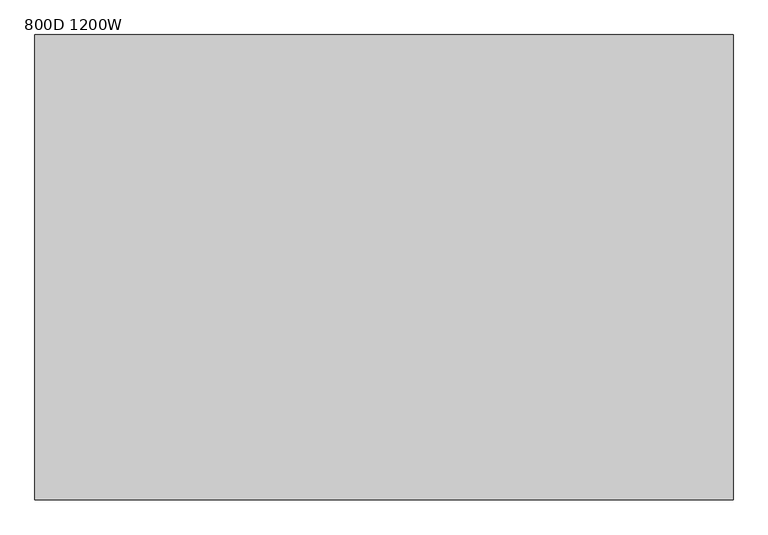
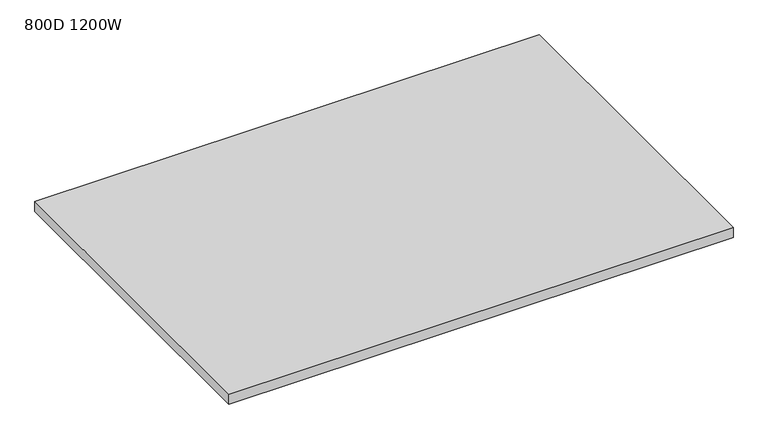
"""IFC4 building model written with IfcOpenShell, lengths in millimetres: furniture geometry, 800D 1200W."""

import ifcopenshell
import ifcopenshell.guid

model = None  # the IFC model being written
_history = None  # IfcOwnerHistory: only IFC2X3 demands one
_inside = {}  # id of a spatial element -> (the spatial element, [elements in it])
_under = {}  # id of a project, library or spatial element -> (it, [spatial elements below it])
_declared = {}  # id of a project -> (the project, [libraries it declares])
_typed = {}  # id of a type object -> (the type object, [elements of that type])
_made_of = {}  # id of a material, layer set ... -> (it, [elements and type objects made of it])


def new_model(schema):
    """Start an empty IFC model of exactly this schema.

    Asked for "IFC4X3", IfcOpenShell would pick the latest addendum, in which some entities
    have other attributes; the version numbers below select the first issue.
    IFC2X3 requires an IfcOwnerHistory on every rooted entity: one is made here for all.
    """
    global model, _history
    if schema == "IFC4X3":
        model = ifcopenshell.file(schema_version=(4, 3, 0, 0))
    else:
        model = ifcopenshell.file(schema=schema)
    _inside.clear()
    _under.clear()
    _declared.clear()
    _typed.clear()
    _made_of.clear()
    _history = None
    if model.schema == "IFC2X3":
        org = make("IfcOrganization", Name="unknown")
        user = make(
            "IfcPersonAndOrganization",
            ThePerson=make("IfcPerson", FamilyName="unknown"),
            TheOrganization=org,
        )
        app = make(
            "IfcApplication",
            ApplicationDeveloper=org,
            Version="unknown",
            ApplicationFullName="unknown",
            ApplicationIdentifier="unknown",
        )
        _history = make(
            "IfcOwnerHistory",
            OwningUser=user,
            OwningApplication=app,
            ChangeAction="ADDED",
            CreationDate=0,
        )
    return model


def make(cls, **values):
    """One entity of the class cls with the attributes given. An attribute that is None is left unset."""
    return model.create_entity(
        cls, **{name: value for name, value in values.items() if value is not None}
    )


def rooted(cls, **values):
    """An entity with a GlobalId (a new one), such as an element, a storey or a relation."""
    return make(cls, GlobalId=ifcopenshell.guid.new(), OwnerHistory=_history, **values)


def si_unit(unit_type, name, prefix=None):
    """IfcSIUnit, for example si_unit("LENGTHUNIT", "METRE", prefix="MILLI")."""
    return make("IfcSIUnit", UnitType=unit_type, Prefix=prefix, Name=name)


def assignment(units):
    """IfcUnitAssignment: the units of a project."""
    return None if units is None else make("IfcUnitAssignment", Units=units)


def point(xyz):
    """IfcCartesianPoint."""
    return None if xyz is None else make("IfcCartesianPoint", Coordinates=xyz)


def direction(xyz):
    """IfcDirection."""
    return None if xyz is None else make("IfcDirection", DirectionRatios=xyz)


def frame(location, z_axis=None, x_axis=None):
    """IfcAxis2Placement3D, a coordinate frame: its origin and axes. An axis left out is left unset."""
    return make(
        "IfcAxis2Placement3D",
        Location=point(location),
        Axis=direction(z_axis),
        RefDirection=direction(x_axis),
    )


def origin():
    """The frame at (0, 0, 0) with its axes left unset."""
    return frame((0.0, 0.0, 0.0))


def place(relative_to, where):
    """IfcLocalPlacement: puts the frame where relative to a parent placement (None: the world)."""
    return make(
        "IfcLocalPlacement", PlacementRelTo=relative_to, RelativePlacement=where
    )


def context(
    kind, dimensions, precision=None, world=None, true_north=None, identifier=None
):
    """IfcGeometricRepresentationContext, for example the 3D "Model" context."""
    return make(
        "IfcGeometricRepresentationContext",
        ContextIdentifier=identifier,
        ContextType=kind,
        CoordinateSpaceDimension=dimensions,
        Precision=precision,
        WorldCoordinateSystem=world,
        TrueNorth=true_north,
    )


def project(units=None, contexts=None):
    """IfcProject with its units and contexts."""
    return rooted(
        "IfcProject",
        Name="project",
        RepresentationContexts=contexts,
        UnitsInContext=assignment(units),
    )


def spatial(cls, under=None, at=None, **own):
    """A site, building, storey or space (cls), placed at a placement, below another one or the project."""
    s = rooted(cls, ObjectPlacement=at, **own)
    if under is not None:
        _under.setdefault(under.id(), (under, []))[1].append(s)
    return s


def polyline(points):
    """IfcPolyline through the points."""
    return make("IfcPolyline", Points=[point(p) for p in points])


def outline(outer, holes=None, kind="AREA"):
    """IfcArbitraryClosedProfileDef: a profile drawn as a closed curve; with holes, ...WithVoids."""
    if holes is None:
        return make("IfcArbitraryClosedProfileDef", ProfileType=kind, OuterCurve=outer)
    return make(
        "IfcArbitraryProfileDefWithVoids",
        ProfileType=kind,
        OuterCurve=outer,
        InnerCurves=holes,
    )


def extrude(swept, where, along, depth):
    """IfcExtrudedAreaSolid: the profile swept, set in the frame where, extruded along a direction by depth."""
    return make(
        "IfcExtrudedAreaSolid",
        SweptArea=swept,
        Position=where,
        ExtrudedDirection=direction(along),
        Depth=depth,
    )


def shape(context_of_items, identifier, shape_type, items):
    """IfcShapeRepresentation: the items that make up one representation, for example the "Body"."""
    return make(
        "IfcShapeRepresentation",
        ContextOfItems=context_of_items,
        RepresentationIdentifier=identifier,
        RepresentationType=shape_type,
        Items=items,
    )


def source(mapping_origin, context_of_items, identifier, shape_type, items):
    """IfcRepresentationMap: a shape defined once, which mapped items show again and again."""
    return make(
        "IfcRepresentationMap",
        MappingOrigin=mapping_origin,
        MappedRepresentation=shape(context_of_items, identifier, shape_type, items),
    )


def transform(
    local_origin,
    x_axis=None,
    y_axis=None,
    z_axis=None,
    scale=None,
    scale2=None,
    scale3=None,
    uniform=True,
):
    """IfcCartesianTransformationOperator3D, or its non-uniform kind. x_axis, y_axis, z_axis: its Axis1, 2, 3."""
    if uniform:
        return make(
            "IfcCartesianTransformationOperator3D",
            Axis1=direction(x_axis),
            Axis2=direction(y_axis),
            LocalOrigin=point(local_origin),
            Scale=scale,
            Axis3=direction(z_axis),
        )
    return make(
        "IfcCartesianTransformationOperator3DnonUniform",
        Axis1=direction(x_axis),
        Axis2=direction(y_axis),
        LocalOrigin=point(local_origin),
        Scale=scale,
        Axis3=direction(z_axis),
        Scale2=scale2,
        Scale3=scale3,
    )


def mapped(mapping_source, mapping_target):
    """IfcMappedItem: shows the shape of a source again, moved by a transform."""
    return make(
        "IfcMappedItem", MappingSource=mapping_source, MappingTarget=mapping_target
    )


def made_of(thing, what):
    """Note that an element or type object is made of a material, layer set ...; save() writes the relation."""
    if what is not None:
        _made_of.setdefault(what.id(), (what, []))[1].append(thing)
    return thing


def element(
    cls,
    number,
    at=None,
    inside=None,
    cuts=None,
    type_object=None,
    material=None,
    context=None,
    identifier="Body",
    shape_type=None,
    held_by="IfcProductDefinitionShape",
    body=None,
    shapes=None,
    **own,
):
    """One element of the class cls, such as IfcWall. Its Tag is "e" and its number.

    at: its placement. inside: the storey or other place that contains it. cuts: it is an
    opening in that element (IfcRelVoidsElement). A single representation is given by context,
    identifier, shape_type and body (its items); several are given by shapes. held_by: the class
    of the entity that holds the representations. save() writes the other relations.
    """
    e = rooted(cls, Tag="e%d" % number, ObjectPlacement=at, **own)
    if body is not None:
        shapes = [shape(context, identifier, shape_type, body)]
    if shapes is not None:
        e.Representation = make(held_by, Representations=shapes)
    if inside is not None:
        _inside.setdefault(inside.id(), (inside, []))[1].append(e)
    if cuts is not None:
        rooted(
            "IfcRelVoidsElement", RelatingBuildingElement=cuts, RelatedOpeningElement=e
        )
    if type_object is not None:
        _typed.setdefault(type_object.id(), (type_object, []))[1].append(e)
    return made_of(e, material)


def aggregate(whole, parts):
    """IfcRelAggregates: a whole, such as a stair, and the parts it consists of."""
    return rooted("IfcRelAggregates", RelatingObject=whole, RelatedObjects=parts)


def save(model, path):
    """Write the relations noted so far, then the file.

    IfcRelAggregates (storeys below a building ...), IfcRelContainedInSpatialStructure (elements
    in a storey), IfcRelDefinesByType, IfcRelAssociatesMaterial and IfcRelDeclares: one each for
    every whole, place, type object, material and project.
    """
    for whole, parts in _under.values():
        aggregate(whole, parts)
    for where, things in _inside.values():
        rooted(
            "IfcRelContainedInSpatialStructure",
            RelatedElements=things,
            RelatingStructure=where,
        )
    for kind, things in _typed.values():
        rooted("IfcRelDefinesByType", RelatedObjects=things, RelatingType=kind)
    for what, things in _made_of.values():
        rooted("IfcRelAssociatesMaterial", RelatedObjects=things, RelatingMaterial=what)
    for by, libraries in _declared.values():
        rooted("IfcRelDeclares", RelatingContext=by, RelatedDefinitions=libraries)
    model.write(path)


def furniture_800d_1200w_8445304c(model_context):
    return source(origin(), model_context, "Body", "SweptSolid", [
        extrude(outline(polyline([(-600.0, -800.0), (-600.0, 0.0), (600.0, 0.0), (600.0, -800.0), (-600.0, -800.0)])), frame((0.0, 0.0, 715.0), z_axis=(0.0, 0.0, 1.0), x_axis=(1.0, 0.0, 0.0)), (0.0, 0.0, 1.0), 25.0),
    ])


if __name__ == "__main__":
    model = new_model("IFC4")
    model_context = context("Model", 3, world=origin())
    ifc_project = project(units=[si_unit("LENGTHUNIT", "METRE", prefix="MILLI")], contexts=[model_context])
    site = spatial("IfcSite", under=ifc_project)
    building = spatial("IfcBuilding", under=site)
    placement = place(None, origin())
    furniture_800d_1200w_shape = furniture_800d_1200w_8445304c(model_context)
    element("IfcFurniture", 1, ObjectType="800D 1200W", at=placement, inside=building, context=model_context, shape_type="MappedRepresentation", body=[
        mapped(furniture_800d_1200w_shape, transform((0.0, 0.0, 0.0), x_axis=(1.0, 0.0, 0.0), y_axis=(0.0, 1.0, 0.0), z_axis=(0.0, 0.0, 1.0))),
    ])
    save(model, "model.ifc")
